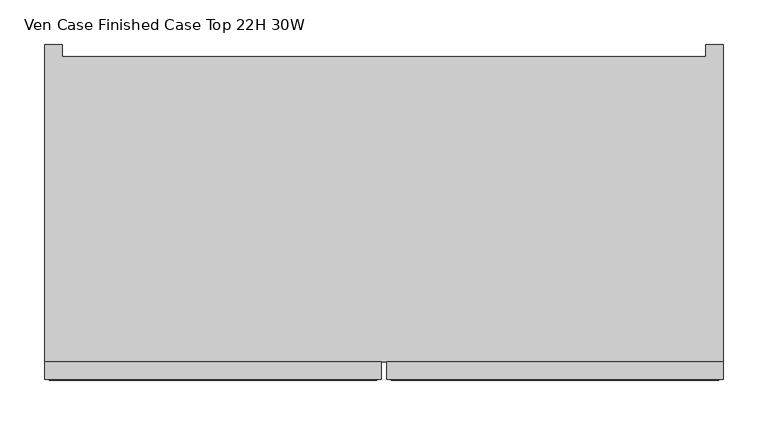
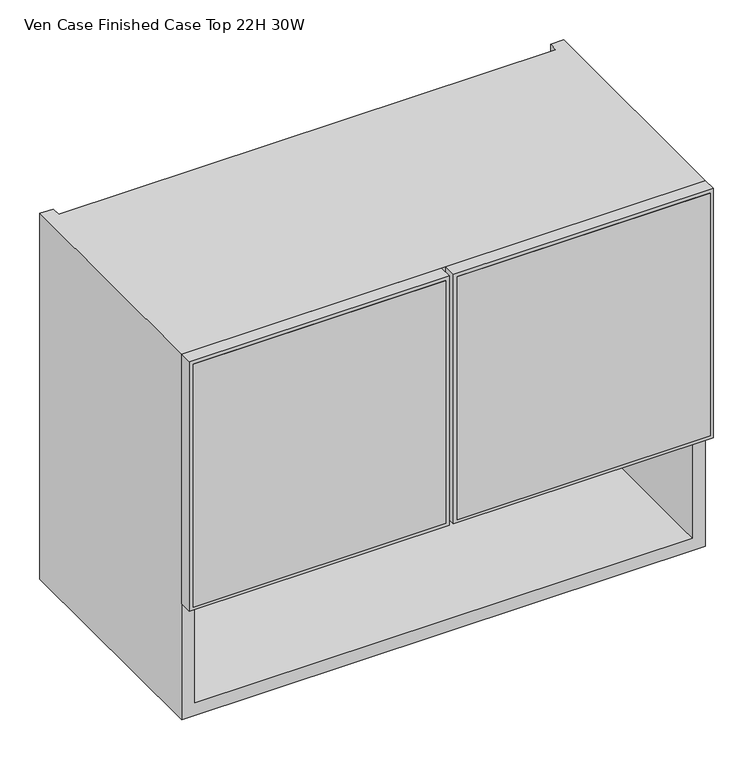
"""IFC4 building model written with IfcOpenShell, lengths in millimetres: furniture geometry, Ven Case Finished Case Top 22H 30W."""

from ifc_helpers import new_model, si_unit, frame, origin, place, context, project, spatial, polyline, outline, extrude, faceted_brep, source, transform, mapped, element, save


def ven_case_finished_case_top_22h_30w_9491af39(model_context):
    return source(origin(), model_context, "Body", "SolidModel", [
        extrude(outline(polyline([(1701.8, -75.565), (1320.8, -75.565), (1320.8, 299.72), (1701.8, 299.72), (1701.8, -75.565)]), holes=[polyline([(1670.812, 268.732), (1351.788, 268.732), (1351.788, -44.577), (1670.812, -44.577), (1670.812, 268.732)])]), frame((0.0, -214.8113724, 0.0), z_axis=(0.0, 1.0, 0.0), x_axis=(0.0, 0.0, 1.0)), (0.0, 0.0, 1.0), 19.304),
        extrude(outline(polyline([(1701.8, -457.2), (1320.8, -457.2), (1320.8, -81.915), (1701.8, -81.915), (1701.8, -457.2)]), holes=[polyline([(1670.812, -112.903), (1351.788, -112.903), (1351.788, -426.212), (1670.812, -426.212), (1670.812, -112.903)])]), frame((0.0, -214.8113724, 0.0), z_axis=(0.0, 1.0, 0.0), x_axis=(0.0, 0.0, 1.0)), (0.0, 0.0, 1.0), 19.304),
        extrude(outline(polyline([(-437.896, -195.5073724), (-437.896, 126.2242676), (280.416, 126.2242676), (280.416, -195.5073724), (-437.896, -195.5073724)])), frame((0.0, 0.0, 1320.8), z_axis=(0.0, 0.0, 1.0), x_axis=(1.0, 0.0, 0.0)), (0.0, 0.0, 1.0), 19.939),
        extrude(outline(polyline([(-86.995, -215.8273724), (-452.12, -215.8273724), (-452.12, -203.1273724), (-86.995, -203.1273724), (-86.995, -215.8273724)])), frame((0.0, 0.0, 1325.88), z_axis=(0.0, 0.0, 1.0), x_axis=(1.0, 0.0, 0.0)), (0.0, 0.0, 1.0), 370.84),
        extrude(outline(polyline([(294.64, -215.8273724), (-70.485, -215.8273724), (-70.485, -203.1273724), (294.64, -203.1273724), (294.64, -215.8273724)])), frame((0.0, 0.0, 1325.88), z_axis=(0.0, 0.0, 1.0), x_axis=(1.0, 0.0, 0.0)), (0.0, 0.0, 1.0), 370.84),
        extrude(outline(polyline([(280.416, 145.5282676), (280.416, 126.2242676), (-437.896, 126.2242676), (-437.896, 145.5282676), (280.416, 145.5282676)])), frame((0.0, 0.0, 1162.304), z_axis=(0.0, 0.0, 1.0), x_axis=(1.0, 0.0, 0.0)), (0.0, 0.0, 1.0), 520.192),
        faceted_brep([(-457.2, -195.5073724, 1701.8), (-457.2, -195.5073724, 1143.0), (299.72, -195.5073724, 1143.0), (299.72, -195.5073724, 1701.8), (-437.896, -195.5073724, 1682.496), (280.416, -195.5073724, 1682.496), (280.416, -195.5073724, 1162.304), (-437.896, -195.5073724, 1162.304), (280.416, 145.5282676, 1682.496), (-437.896, 145.5282676, 1682.496), (-437.896, 145.5282676, 1701.8), (280.416, 145.5282676, 1701.8), (280.416, 145.5282676, 1143.0), (-437.896, 145.5282676, 1143.0), (-437.896, 145.5282676, 1162.304), (280.416, 145.5282676, 1162.304), (299.72, 158.8226276, 1701.8), (280.416, 158.8226276, 1701.8), (-437.896, 158.8226276, 1701.8), (-457.2, 158.8226276, 1701.8), (-457.2, 158.8226276, 1143.0), (-437.896, 158.8226276, 1143.0), (280.416, 158.8226276, 1143.0), (299.72, 158.8226276, 1143.0)], [[[0, 1, 2, 3], [4, 5, 6, 7]], [[8, 9, 10, 11]], [[12, 13, 14, 15]], [[0, 3, 16, 17, 11, 10, 18, 19]], [[5, 4, 9, 8]], [[7, 6, 15, 14]], [[2, 1, 20, 21, 13, 12, 22, 23]], [[19, 18, 21, 20]], [[0, 19, 20, 1]], [[21, 18, 10, 9, 4, 7, 14, 13]], [[17, 22, 12, 15, 6, 5, 8, 11]], [[16, 3, 2, 23]], [[17, 16, 23, 22]]]),
    ])


if __name__ == "__main__":
    model = new_model("IFC4")
    model_context = context("Model", 3, world=origin())
    ifc_project = project(units=[si_unit("LENGTHUNIT", "METRE", prefix="MILLI")], contexts=[model_context])
    site = spatial("IfcSite", under=ifc_project)
    building = spatial("IfcBuilding", under=site)
    placement = place(None, origin())
    ven_case_finished_case_top_22h_30w_shape = ven_case_finished_case_top_22h_30w_9491af39(model_context)
    element("IfcFurniture", 1, ObjectType="Ven Case Finished Case Top 22H 30W", at=placement, inside=building, context=model_context, shape_type="MappedRepresentation", body=[
        mapped(ven_case_finished_case_top_22h_30w_shape, transform((0.0, 0.0, 0.0), x_axis=(1.0, 0.0, 0.0), y_axis=(0.0, 1.0, 0.0), z_axis=(0.0, 0.0, 1.0))),
    ])
    save(model, "model.ifc")
